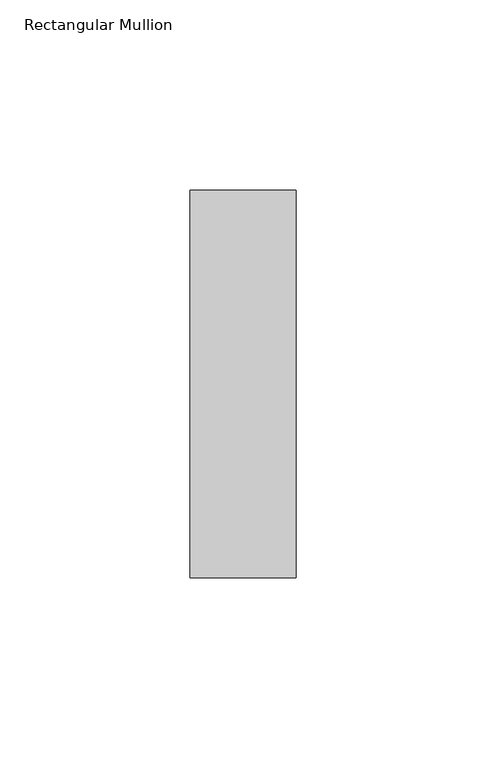
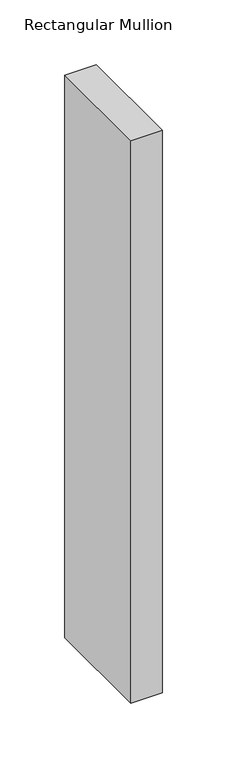
"""IFC4 building model written with IfcOpenShell, lengths in millimetres: member geometry, Rectangular Mullion."""

from ifc_helpers import new_model, si_unit, frame, origin, place, context, project, spatial, polyline, outline, extrude, source, transform, mapped, element, save


def rectangular_mullion_488e1630(model_context):
    return source(origin(), model_context, "Body", "SweptSolid", [
        extrude(outline(polyline([(-28.0, -51.0), (-28.0, 51.0), (0.0, 51.0), (0.0, -51.0), (-28.0, -51.0)])), frame((0.0, 0.0, -530.404515), z_axis=(0.0, 0.0, 1.0), x_axis=(1.0, 0.0, 0.0)), (0.0, 0.0, 1.0), 530.404515),
    ])


if __name__ == "__main__":
    model = new_model("IFC4")
    model_context = context("Model", 3, world=origin())
    ifc_project = project(units=[si_unit("LENGTHUNIT", "METRE", prefix="MILLI")], contexts=[model_context])
    site = spatial("IfcSite", under=ifc_project)
    building = spatial("IfcBuilding", under=site)
    placement = place(None, origin())
    rectangular_mullion_shape = rectangular_mullion_488e1630(model_context)
    element("IfcMember", 1, ObjectType="Rectangular Mullion", at=placement, inside=building, context=model_context, shape_type="MappedRepresentation", body=[
        mapped(rectangular_mullion_shape, transform((0.0, 0.0, 0.0), x_axis=(1.0, 0.0, 0.0), y_axis=(0.0, 1.0, 0.0), z_axis=(0.0, 0.0, 1.0))),
    ])
    save(model, "model.ifc")
